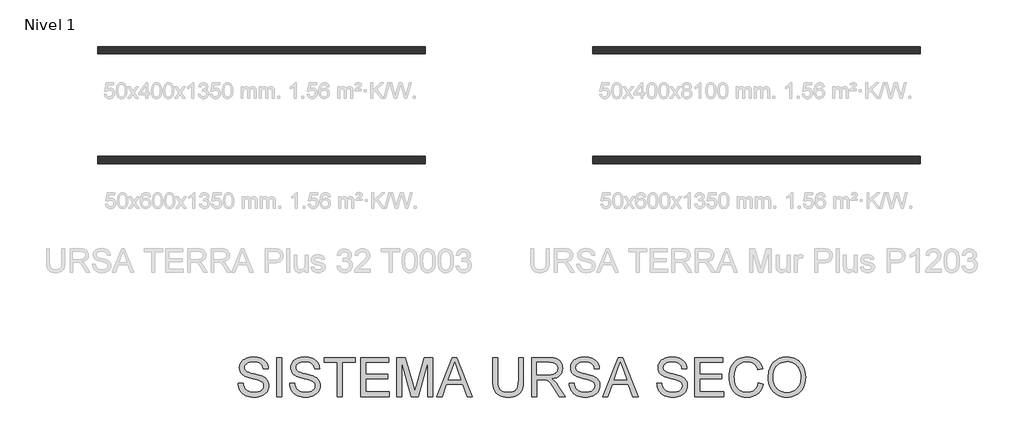
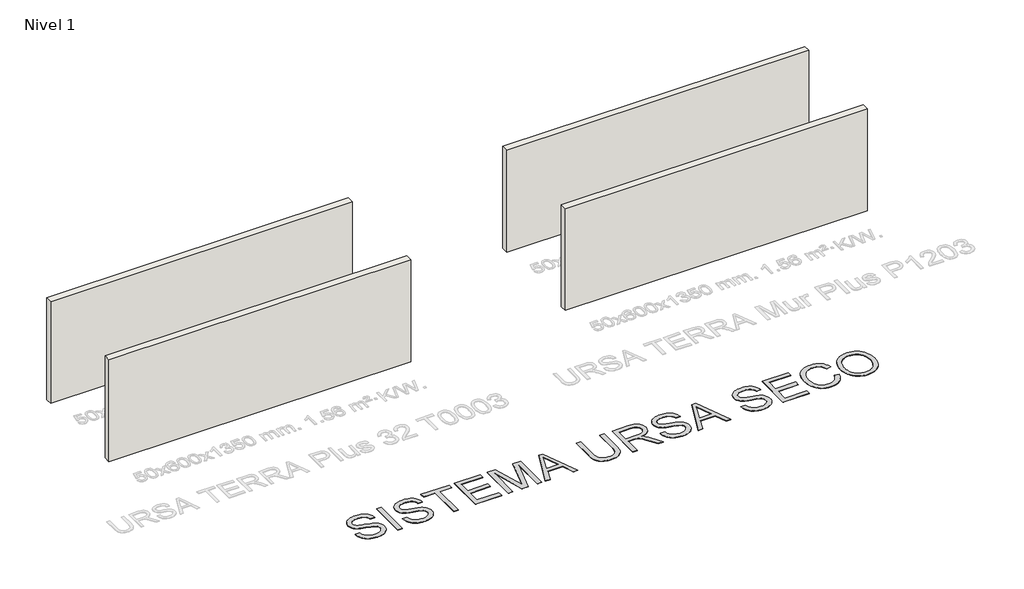
# One storey, part 1 of 7: 4 walls, 1 proxy.
"""IFC4 building model written with IfcOpenShell, lengths in millimetres."""

import ifcopenshell
import ifcopenshell.guid

model = None  # the IFC model being written
_history = None  # IfcOwnerHistory: only IFC2X3 demands one
_inside = {}  # id of a spatial element -> (the spatial element, [elements in it])
_under = {}  # id of a project, library or spatial element -> (it, [spatial elements below it])
_declared = {}  # id of a project -> (the project, [libraries it declares])
_typed = {}  # id of a type object -> (the type object, [elements of that type])
_made_of = {}  # id of a material, layer set ... -> (it, [elements and type objects made of it])


def new_model(schema):
    """Start an empty IFC model of exactly this schema.

    Asked for "IFC4X3", IfcOpenShell would pick the latest addendum, in which some entities
    have other attributes; the version numbers below select the first issue.
    IFC2X3 requires an IfcOwnerHistory on every rooted entity: one is made here for all.
    """
    global model, _history
    if schema == "IFC4X3":
        model = ifcopenshell.file(schema_version=(4, 3, 0, 0))
    else:
        model = ifcopenshell.file(schema=schema)
    _inside.clear()
    _under.clear()
    _declared.clear()
    _typed.clear()
    _made_of.clear()
    _history = None
    if model.schema == "IFC2X3":
        org = make("IfcOrganization", Name="unknown")
        user = make(
            "IfcPersonAndOrganization",
            ThePerson=make("IfcPerson", FamilyName="unknown"),
            TheOrganization=org,
        )
        app = make(
            "IfcApplication",
            ApplicationDeveloper=org,
            Version="unknown",
            ApplicationFullName="unknown",
            ApplicationIdentifier="unknown",
        )
        _history = make(
            "IfcOwnerHistory",
            OwningUser=user,
            OwningApplication=app,
            ChangeAction="ADDED",
            CreationDate=0,
        )
    return model


def make(cls, **values):
    """One entity of the class cls with the attributes given. An attribute that is None is left unset."""
    return model.create_entity(
        cls, **{name: value for name, value in values.items() if value is not None}
    )


def rooted(cls, **values):
    """An entity with a GlobalId (a new one), such as an element, a storey or a relation."""
    return make(cls, GlobalId=ifcopenshell.guid.new(), OwnerHistory=_history, **values)


def si_unit(unit_type, name, prefix=None):
    """IfcSIUnit, for example si_unit("LENGTHUNIT", "METRE", prefix="MILLI")."""
    return make("IfcSIUnit", UnitType=unit_type, Prefix=prefix, Name=name)


def assignment(units):
    """IfcUnitAssignment: the units of a project."""
    return None if units is None else make("IfcUnitAssignment", Units=units)


def point(xyz):
    """IfcCartesianPoint."""
    return None if xyz is None else make("IfcCartesianPoint", Coordinates=xyz)


def direction(xyz):
    """IfcDirection."""
    return None if xyz is None else make("IfcDirection", DirectionRatios=xyz)


def frame(location, z_axis=None, x_axis=None):
    """IfcAxis2Placement3D, a coordinate frame: its origin and axes. An axis left out is left unset."""
    return make(
        "IfcAxis2Placement3D",
        Location=point(location),
        Axis=direction(z_axis),
        RefDirection=direction(x_axis),
    )


def origin():
    """The frame at (0, 0, 0) with its axes left unset."""
    return frame((0.0, 0.0, 0.0))


def origin_with_axes():
    """The frame at (0, 0, 0) with the z axis (0, 0, 1) and the x axis (1, 0, 0) written out."""
    return frame((0.0, 0.0, 0.0), z_axis=(0.0, 0.0, 1.0), x_axis=(1.0, 0.0, 0.0))


def place(relative_to, where):
    """IfcLocalPlacement: puts the frame where relative to a parent placement (None: the world)."""
    return make(
        "IfcLocalPlacement", PlacementRelTo=relative_to, RelativePlacement=where
    )


def context(
    kind, dimensions, precision=None, world=None, true_north=None, identifier=None
):
    """IfcGeometricRepresentationContext, for example the 3D "Model" context."""
    return make(
        "IfcGeometricRepresentationContext",
        ContextIdentifier=identifier,
        ContextType=kind,
        CoordinateSpaceDimension=dimensions,
        Precision=precision,
        WorldCoordinateSystem=world,
        TrueNorth=true_north,
    )


def project(units=None, contexts=None):
    """IfcProject with its units and contexts."""
    return rooted(
        "IfcProject",
        Name="project",
        RepresentationContexts=contexts,
        UnitsInContext=assignment(units),
    )


def spatial(cls, under=None, at=None, **own):
    """A site, building, storey or space (cls), placed at a placement, below another one or the project."""
    s = rooted(cls, ObjectPlacement=at, **own)
    if under is not None:
        _under.setdefault(under.id(), (under, []))[1].append(s)
    return s


def polyline(points):
    """IfcPolyline through the points."""
    return make("IfcPolyline", Points=[point(p) for p in points])


def outline(outer, holes=None, kind="AREA"):
    """IfcArbitraryClosedProfileDef: a profile drawn as a closed curve; with holes, ...WithVoids."""
    if holes is None:
        return make("IfcArbitraryClosedProfileDef", ProfileType=kind, OuterCurve=outer)
    return make(
        "IfcArbitraryProfileDefWithVoids",
        ProfileType=kind,
        OuterCurve=outer,
        InnerCurves=holes,
    )


def extrude(swept, where, along, depth):
    """IfcExtrudedAreaSolid: the profile swept, set in the frame where, extruded along a direction by depth."""
    return make(
        "IfcExtrudedAreaSolid",
        SweptArea=swept,
        Position=where,
        ExtrudedDirection=direction(along),
        Depth=depth,
    )


def shape(context_of_items, identifier, shape_type, items):
    """IfcShapeRepresentation: the items that make up one representation, for example the "Body"."""
    return make(
        "IfcShapeRepresentation",
        ContextOfItems=context_of_items,
        RepresentationIdentifier=identifier,
        RepresentationType=shape_type,
        Items=items,
    )


def made_of(thing, what):
    """Note that an element or type object is made of a material, layer set ...; save() writes the relation."""
    if what is not None:
        _made_of.setdefault(what.id(), (what, []))[1].append(thing)
    return thing


def element(
    cls,
    number,
    at=None,
    inside=None,
    cuts=None,
    type_object=None,
    material=None,
    context=None,
    identifier="Body",
    shape_type=None,
    held_by="IfcProductDefinitionShape",
    body=None,
    shapes=None,
    **own,
):
    """One element of the class cls, such as IfcWall. Its Tag is "e" and its number.

    at: its placement. inside: the storey or other place that contains it. cuts: it is an
    opening in that element (IfcRelVoidsElement). A single representation is given by context,
    identifier, shape_type and body (its items); several are given by shapes. held_by: the class
    of the entity that holds the representations. save() writes the other relations.
    """
    e = rooted(cls, Tag="e%d" % number, ObjectPlacement=at, **own)
    if body is not None:
        shapes = [shape(context, identifier, shape_type, body)]
    if shapes is not None:
        e.Representation = make(held_by, Representations=shapes)
    if inside is not None:
        _inside.setdefault(inside.id(), (inside, []))[1].append(e)
    if cuts is not None:
        rooted(
            "IfcRelVoidsElement", RelatingBuildingElement=cuts, RelatedOpeningElement=e
        )
    if type_object is not None:
        _typed.setdefault(type_object.id(), (type_object, []))[1].append(e)
    return made_of(e, material)


def aggregate(whole, parts):
    """IfcRelAggregates: a whole, such as a stair, and the parts it consists of."""
    return rooted("IfcRelAggregates", RelatingObject=whole, RelatedObjects=parts)


def save(model, path):
    """Write the relations noted so far, then the file.

    IfcRelAggregates (storeys below a building ...), IfcRelContainedInSpatialStructure (elements
    in a storey), IfcRelDefinesByType, IfcRelAssociatesMaterial and IfcRelDeclares: one each for
    every whole, place, type object, material and project.
    """
    for whole, parts in _under.values():
        aggregate(whole, parts)
    for where, things in _inside.values():
        rooted(
            "IfcRelContainedInSpatialStructure",
            RelatedElements=things,
            RelatingStructure=where,
        )
    for kind, things in _typed.values():
        rooted("IfcRelDefinesByType", RelatedObjects=things, RelatingType=kind)
    for what, things in _made_of.values():
        rooted("IfcRelAssociatesMaterial", RelatedObjects=things, RelatingMaterial=what)
    for by, libraries in _declared.values():
        rooted("IfcRelDeclares", RelatingContext=by, RelatedDefinitions=libraries)
    model.write(path)


model = new_model("IFC4")

# Units and contexts
model_context = context("Model", 3, world=origin())
ifc_project = project(units=[si_unit("LENGTHUNIT", "METRE", prefix="MILLI")], contexts=[model_context])

# Site, building, storey
site = spatial("IfcSite", under=ifc_project)
building = spatial("IfcBuilding", under=site)
storey = spatial("IfcBuildingStorey", under=building, Name="Nivel 1", Elevation=0.0)

# Proxy
placement = place(None, origin())
element("IfcBuildingElementProxy", 1, Name="Texto de modelo 2", ObjectType="Texto de modelo 2", at=placement, inside=storey, context=model_context, shape_type="SweptSolid", body=[
    extrude(outline(polyline([(-22575.3742408, -17271.0062376), (-22449.8038531, -17271.0062376), (-22444.0556969, -17307.5568466), (-22435.3951416, -17340.6892188), (-22423.8221872, -17370.4033541), (-22409.3368336, -17396.6992526), (-22391.203317, -17420.1057445), (-22368.6858732, -17441.1516603), (-22341.7845023, -17459.837), (-22310.4992043, -17476.1617635), (-22275.9796104, -17489.4131796), (-22239.3753519, -17498.8784767), (-22200.6864287, -17504.557655), (-22159.9128409, -17506.4507145), (-22089.9539482, -17500.7178867), (-22058.2394545, -17493.551852), (-22028.701596, -17483.5194034), (-22002.0684723, -17470.9807588), (-21979.0681834, -17456.2961358), (-21959.7007292, -17439.4655345), (-21943.9661097, -17420.4889549), (-21931.7876829, -17400.1864673), (-21923.0888065, -17379.378142), (-21917.8694807, -17358.0639789), (-21916.1297054, -17336.243978), (-21921.341367, -17294.2134601), (-21936.9763518, -17257.8851131), (-21950.1281332, -17241.7672831), (-21968.7368307, -17226.891055), (-21992.8024446, -17213.2564285), (-22022.3249747, -17200.8634038), (-22088.6357043, -17181.1510602), (-22205.1623263, -17152.9161171), (-22325.1838272, -17121.186295), (-22368.9847773, -17105.8961996), (-22401.9791937, -17090.9893146), (-22435.5101047, -17070.9857311), (-22464.4884761, -17048.7441988), (-22488.9143077, -17024.2647177), (-22508.7875997, -16997.5472878), (-22524.184994, -16968.8678206), (-22535.1831328, -16938.5022276), (-22541.7820161, -16906.4505088), (-22543.9816439, -16872.7126641), (-22541.2608499, -16835.3189921), (-22533.0984682, -16799.1669219), (-22519.4944986, -16764.2564534), (-22500.4489411, -16730.5875866), (-22476.1763936, -16699.5322149), (-22446.891454, -16672.4622314), (-22412.5941221, -16649.3776362), (-22373.2843981, -16630.2784293), (-22330.2881899, -16615.3102306), (-22284.9314056, -16604.6186601), (-22237.2140451, -16598.2037178), (-22187.1361085, -16596.0654037), (-22132.5056323, -16598.3033525), (-22081.1860939, -16605.017199), (-22033.1774936, -16616.206943), (-21988.4798312, -16631.8725846), (-21947.9208412, -16651.8761681), (-21912.3282582, -16676.0797377), (-21881.7020821, -16704.4832934), (-21856.0423129, -16737.0868352), (-21835.5482201, -16772.9400013), (-21820.419073, -16811.0924299), (-21810.6548717, -16851.544121), (-21806.2556162, -16894.2950745), (-21931.8260039, -16894.2950745), (-21940.2259761, -16854.2265939), (-21954.8799423, -16819.3697748), (-21975.7879023, -16789.7246174), (-22002.9498563, -16765.2911215), (-22036.8716419, -16746.1919146), (-22078.059097, -16732.5496239), (-22126.5122214, -16724.3642496), (-22182.2310153, -16721.6357914), (-22239.7279054, -16724.3335927), (-22288.8554802, -16732.4269966), (-22329.6137396, -16745.9160031), (-22362.0026836, -16764.8006122), (-22386.6814341, -16787.501997), (-22404.309113, -16812.4413306), (-22414.8857204, -16839.618613), (-22418.4112562, -16869.0338442), (-22415.9127243, -16894.3410597), (-22408.4171286, -16917.2876992), (-22395.9244692, -16937.8737625), (-22378.434746, -16956.0992497), (-22350.9049101, -16973.3590466), (-22307.5561483, -16990.8027846), (-22248.3884607, -17008.4304635), (-22173.4018474, -17026.2420834), (-22034.9555899, -17059.903286), (-21986.2418823, -17075.1244035), (-21951.2011223, -17089.2725319), (-21912.7038044, -17110.7169866), (-21879.6174174, -17134.8285857), (-21851.9419615, -17161.6073292), (-21829.6774366, -17191.0532173), (-21812.5632596, -17223.0129656), (-21800.3388475, -17257.3332901), (-21793.0042002, -17294.0141907), (-21790.5593177, -17333.0556674), (-21793.3720822, -17372.3347346), (-21801.8103754, -17410.4641706), (-21815.8741975, -17447.4439753), (-21835.5635485, -17483.2741488), (-21860.5335389, -17516.5674693), (-21890.4392794, -17545.9367153), (-21925.2807701, -17571.3818866), (-21965.0580108, -17592.9029833), (-22008.6137062, -17610.0171603), (-22054.7905608, -17622.2415725), (-22103.5885746, -17629.5762197), (-22155.0077476, -17632.0211022), (-22219.2414768, -17629.3846145), (-22278.0336182, -17621.4751516), (-22331.3841717, -17608.2927135), (-22379.2931374, -17589.8373), (-22422.0517551, -17566.0782545), (-22459.9512648, -17536.9849201), (-22492.9916665, -17502.5572967), (-22521.1729602, -17462.7953844), (-22543.874345, -17418.9867701), (-22560.47502, -17372.4190409), (-22570.9749853, -17323.0921967), (-22575.3742408, -17271.0062376)])), origin_with_axes(), (0.0, 0.0, 1.0), 10.0),
    extrude(outline(polyline([(-21586.5074378, -17616.3248037), (-21586.5074378, -16611.7617022), (-21460.9370501, -16611.7617022), (-21460.9370501, -17616.3248037), (-21586.5074378, -17616.3248037)])), origin_with_axes(), (0.0, 0.0, 1.0), 10.0),
    extrude(outline(polyline([(-21256.8851701, -17271.0062376), (-21131.3147824, -17271.0062376), (-21125.5666262, -17307.5568466), (-21116.9060709, -17340.6892188), (-21105.3331165, -17370.4033541), (-21090.8477629, -17396.6992526), (-21072.7142462, -17420.1057445), (-21050.1968025, -17441.1516603), (-21023.2954316, -17459.837), (-20992.0101335, -17476.1617635), (-20957.4905397, -17489.4131796), (-20920.8862811, -17498.8784767), (-20882.197358, -17504.557655), (-20841.4237702, -17506.4507145), (-20771.4648774, -17500.7178867), (-20739.7503838, -17493.551852), (-20710.2125252, -17483.5194034), (-20683.5794016, -17470.9807588), (-20660.5791127, -17456.2961358), (-20641.2116585, -17439.4655345), (-20625.477039, -17420.4889549), (-20613.2986121, -17400.1864673), (-20604.5997358, -17379.378142), (-20599.38041, -17358.0639789), (-20597.6406347, -17336.243978), (-20602.8522963, -17294.2134601), (-20618.4872811, -17257.8851131), (-20631.6390624, -17241.7672831), (-20650.24776, -17226.891055), (-20674.3133739, -17213.2564285), (-20703.835904, -17200.8634038), (-20770.1466336, -17181.1510602), (-20886.6732556, -17152.9161171), (-21006.6947565, -17121.186295), (-21050.4957066, -17105.8961996), (-21083.490123, -17090.9893146), (-21117.021034, -17070.9857311), (-21145.9994054, -17048.7441988), (-21170.425237, -17024.2647177), (-21190.298529, -16997.5472878), (-21205.6959233, -16968.8678206), (-21216.6940621, -16938.5022276), (-21223.2929454, -16906.4505088), (-21225.4925732, -16872.7126641), (-21222.7717792, -16835.3189921), (-21214.6093975, -16799.1669219), (-21201.0054279, -16764.2564534), (-21181.9598704, -16730.5875866), (-21157.6873229, -16699.5322149), (-21128.4023833, -16672.4622314), (-21094.1050514, -16649.3776362), (-21054.7953274, -16630.2784293), (-21011.7991192, -16615.3102306), (-20966.4423349, -16604.6186601), (-20918.7249744, -16598.2037178), (-20868.6470378, -16596.0654037), (-20814.0165616, -16598.3033525), (-20762.6970232, -16605.017199), (-20714.6884229, -16616.206943), (-20669.9907604, -16631.8725846), (-20629.4317705, -16651.8761681), (-20593.8391874, -16676.0797377), (-20563.2130113, -16704.4832934), (-20537.5532422, -16737.0868352), (-20517.0591494, -16772.9400013), (-20501.9300023, -16811.0924299), (-20492.165801, -16851.544121), (-20487.7665455, -16894.2950745), (-20613.3369332, -16894.2950745), (-20621.7369054, -16854.2265939), (-20636.3908715, -16819.3697748), (-20657.2988316, -16789.7246174), (-20684.4607856, -16765.2911215), (-20718.3825712, -16746.1919146), (-20759.5700263, -16732.5496239), (-20808.0231507, -16724.3642496), (-20863.7419446, -16721.6357914), (-20921.2388347, -16724.3335927), (-20970.3664095, -16732.4269966), (-21011.1246689, -16745.9160031), (-21043.5136129, -16764.8006122), (-21068.1923634, -16787.501997), (-21085.8200423, -16812.4413306), (-21096.3966497, -16839.618613), (-21099.9221855, -16869.0338442), (-21097.4236536, -16894.3410597), (-21089.9280579, -16917.2876992), (-21077.4353985, -16937.8737625), (-21059.9456753, -16956.0992497), (-21032.4158394, -16973.3590466), (-20989.0670776, -16990.8027846), (-20929.89939, -17008.4304635), (-20854.9127767, -17026.2420834), (-20716.4665192, -17059.903286), (-20667.7528116, -17075.1244035), (-20632.7120516, -17089.2725319), (-20594.2147336, -17110.7169866), (-20561.1283467, -17134.8285857), (-20533.4528908, -17161.6073292), (-20511.1883659, -17191.0532173), (-20494.0741889, -17223.0129656), (-20481.8497767, -17257.3332901), (-20474.5151295, -17294.0141907), (-20472.070247, -17333.0556674), (-20474.8830115, -17372.3347346), (-20483.3213047, -17410.4641706), (-20497.3851268, -17447.4439753), (-20517.0744778, -17483.2741488), (-20542.0444682, -17516.5674693), (-20571.9502087, -17545.9367153), (-20606.7916994, -17571.3818866), (-20646.5689401, -17592.9029833), (-20690.1246355, -17610.0171603), (-20736.3014901, -17622.2415725), (-20785.0995039, -17629.5762197), (-20836.5186769, -17632.0211022), (-20900.7524061, -17629.3846145), (-20959.5445475, -17621.4751516), (-21012.895101, -17608.2927135), (-21060.8040666, -17589.8373), (-21103.5626844, -17566.0782545), (-21141.4621941, -17536.9849201), (-21174.5025958, -17502.5572967), (-21202.6838895, -17462.7953844), (-21225.3852742, -17418.9867701), (-21241.9859493, -17372.4190409), (-21252.4859146, -17323.0921967), (-21256.8851701, -17271.0062376)])), origin_with_axes(), (0.0, 0.0, 1.0), 10.0),
    extrude(outline(polyline([(-20032.5738901, -17616.3248037), (-20032.5738901, -16737.3320899), (-20362.1961578, -16737.3320899), (-20362.1961578, -16611.7617022), (-19577.3812348, -16611.7617022), (-19577.3812348, -16737.3320899), (-19907.0035024, -16737.3320899), (-19907.0035024, -17616.3248037), (-20032.5738901, -17616.3248037)])), origin_with_axes(), (0.0, 0.0, 1.0), 10.0),
    extrude(outline(polyline([(-19436.1145486, -17616.3248037), (-19436.1145486, -16611.7617022), (-18714.0848194, -16611.7617022), (-18714.0848194, -16737.3320899), (-19310.5441609, -16737.3320899), (-19310.5441609, -17035.5617606), (-18745.4774163, -17035.5617606), (-18745.4774163, -17161.1321483), (-19310.5441609, -17161.1321483), (-19310.5441609, -17490.754416), (-18698.388521, -17490.754416), (-18698.388521, -17616.3248037), (-19436.1145486, -17616.3248037)])), origin_with_axes(), (0.0, 0.0, 1.0), 10.0),
    extrude(outline(polyline([(-18510.0329394, -17616.3248037), (-18510.0329394, -16611.7617022), (-18293.9635809, -16611.7617022), (-18088.440173, -17319.8119156), (-18046.9921348, -17467.7004776), (-18002.1105314, -17307.5491824), (-17800.0206887, -16611.7617022), (-17583.9513302, -16611.7617022), (-17583.9513302, -17616.3248037), (-17709.5217179, -17616.3248037), (-17709.5217179, -16737.3320899), (-17961.8887666, -17616.3248037), (-18132.095503, -17616.3248037), (-18384.4625517, -16737.3320899), (-18384.4625517, -17616.3248037), (-18510.0329394, -17616.3248037)])), origin_with_axes(), (0.0, 0.0, 1.0), 10.0),
    extrude(outline(polyline([(-17481.1896262, -17616.3248037), (-17080.1982515, -16611.7617022), (-16973.2672182, -16611.7617022), (-16572.2758435, -17616.3248037), (-16704.9586164, -17616.3248037), (-16819.9830536, -17302.3988345), (-17233.7276708, -17302.3988345), (-17348.5068533, -17616.3248037), (-17481.1896262, -17616.3248037)]), holes=[polyline([(-17187.6197941, -17176.8284468), (-16865.8456756, -17176.8284468), (-16956.3446465, -16929.8570007), (-17026.7327349, -16737.3320899), (-17089.2726741, -16908.2745903), (-17187.6197941, -17176.8284468)])]), origin_with_axes(), (0.0, 0.0, 1.0), 10.0),
    extrude(outline(polyline([(-15386.4695457, -16611.7617022), (-15260.899158, -16611.7617022), (-15260.899158, -17191.2984719), (-15263.0298079, -17263.0584536), (-15269.4217576, -17327.0162713), (-15280.075007, -17383.171925), (-15294.9895562, -17431.5254148), (-15315.4529922, -17473.9084863), (-15342.7529019, -17512.1528854), (-15376.8892854, -17546.258612), (-15417.8621426, -17576.2256662), (-15465.7174588, -17600.6361694), (-15520.5012193, -17618.0722432), (-15582.213424, -17628.5338874), (-15650.8540729, -17632.0211022), (-15717.8009318, -17628.9860757), (-15778.3558411, -17619.8809963), (-15832.5188007, -17604.705864), (-15880.2898106, -17583.4606788), (-15921.676535, -17556.4596732), (-15956.6866382, -17524.0170797), (-15985.3201202, -17486.1328984), (-16007.5769809, -17442.8071293), (-16024.2619622, -17392.5529159), (-16036.179806, -17333.8834019), (-16043.3305123, -17266.7985872), (-16045.7140811, -17191.2984719), (-16045.7140811, -16611.7617022), (-15920.1436934, -16611.7617022), (-15920.1436934, -17186.883888), (-15918.5955233, -17247.5920814), (-15913.9510131, -17299.73169), (-15906.2101628, -17343.3027138), (-15895.3729724, -17378.3051528), (-15880.7649915, -17407.2681957), (-15861.7117698, -17432.7210313), (-15838.2133074, -17454.6636594), (-15810.2696042, -17473.0960802), (-15778.4171547, -17487.6887327), (-15743.1924537, -17498.1120559), (-15704.595501, -17504.3660498), (-15662.6262968, -17506.4507145), (-15593.4184964, -17502.3273704), (-15534.9099308, -17489.9573384), (-15487.1005998, -17469.3406182), (-15467.2081473, -17455.9397501), (-15449.9905035, -17440.47721), (-15435.1027791, -17422.0831102), (-15422.2000845, -17399.8875632), (-15402.3497852, -17344.0921273), (-15390.4396056, -17273.0909022), (-15386.4695457, -17186.883888), (-15386.4695457, -16611.7617022)])), origin_with_axes(), (0.0, 0.0, 1.0), 10.0),
    extrude(outline(polyline([(-15041.1509796, -17616.3248037), (-15041.1509796, -16611.7617022), (-14608.2764986, -16611.7617022), (-14546.1427624, -16613.4554922), (-14491.9338176, -16618.5368623), (-14445.6496641, -16627.0058124), (-14407.2903019, -16638.8623425), (-14374.6254464, -16655.0184935), (-14345.424813, -16676.386306), (-14319.6884018, -16702.9657802), (-14297.4162127, -16734.7569159), (-14279.4436443, -16770.0505948), (-14266.6060956, -16807.1376985), (-14258.9035663, -16846.0182268), (-14256.3360565, -16886.6921799), (-14260.5896921, -16938.2876298), (-14273.3505988, -16985.6524366), (-14294.6187766, -17028.7866006), (-14324.3942256, -17067.6901216), (-14363.0601562, -17101.1213979), (-14410.9997787, -17127.8388278), (-14468.2130931, -17147.8424113), (-14534.7000995, -17161.1321483), (-14493.3133751, -17188.171475), (-14463.3309925, -17214.8429196), (-14411.8888268, -17275.8500172), (-14361.5503071, -17344.0921273), (-14194.041372, -17616.3248037), (-14339.9678968, -17616.3248037), (-14470.6886324, -17408.1035944), (-14522.9891894, -17328.6410835), (-14565.1116778, -17270.2704736), (-14600.2137515, -17230.0793656), (-14631.4530643, -17205.1553604), (-14661.0369081, -17190.5320511), (-14691.1725748, -17181.2430307), (-14764.0132099, -17176.8284468), (-14915.5805919, -17176.8284468), (-14915.5805919, -17616.3248037), (-15041.1509796, -17616.3248037)]), holes=[polyline([(-14915.5805919, -17051.2580591), (-14634.5187476, -17051.2580591), (-14553.7993065, -17046.8128183), (-14491.1673968, -17033.477096), (-14465.9828085, -17023.2530422), (-14444.0171877, -17010.361844), (-14425.2705344, -16994.8035013), (-14409.7428485, -16976.5780141), (-14397.5644216, -16956.5820948), (-14388.8655453, -16935.7124558), (-14383.6462195, -16913.969097), (-14381.9064442, -16891.3520185), (-14385.2250464, -16859.238986), (-14395.1808529, -16830.0996663), (-14411.7738637, -16803.9340594), (-14435.0040789, -16780.7421653), (-14465.4079929, -16761.7502573), (-14503.5221005, -16748.1846087), (-14549.3464015, -16740.0452196), (-14602.880896, -16737.3320899), (-14915.5805919, -16737.3320899), (-14915.5805919, -17051.2580591)])]), origin_with_axes(), (0.0, 0.0, 1.0), 10.0),
    extrude(outline(polyline([(-14083.6767735, -17271.0062376), (-13958.1063858, -17271.0062376), (-13952.3582296, -17307.5568466), (-13943.6976743, -17340.6892188), (-13932.1247199, -17370.4033541), (-13917.6393663, -17396.6992526), (-13899.5058496, -17420.1057445), (-13876.9884058, -17441.1516603), (-13850.0870349, -17459.837), (-13818.8017369, -17476.1617635), (-13784.282143, -17489.4131796), (-13747.6778845, -17498.8784767), (-13708.9889614, -17504.557655), (-13668.2153736, -17506.4507145), (-13598.2564808, -17500.7178867), (-13566.5419872, -17493.551852), (-13537.0041286, -17483.5194034), (-13510.371005, -17470.9807588), (-13487.3707161, -17456.2961358), (-13468.0032619, -17439.4655345), (-13452.2686424, -17420.4889549), (-13440.0902155, -17400.1864673), (-13431.3913392, -17379.378142), (-13426.1720134, -17358.0639789), (-13424.4322381, -17336.243978), (-13429.6438997, -17294.2134601), (-13445.2788845, -17257.8851131), (-13458.4306658, -17241.7672831), (-13477.0393634, -17226.891055), (-13501.1049773, -17213.2564285), (-13530.6275074, -17200.8634038), (-13596.938237, -17181.1510602), (-13713.464859, -17152.9161171), (-13833.4863599, -17121.186295), (-13877.28731, -17105.8961996), (-13910.2817264, -17090.9893146), (-13943.8126374, -17070.9857311), (-13972.7910087, -17048.7441988), (-13997.2168404, -17024.2647177), (-14017.0901323, -16997.5472878), (-14032.4875267, -16968.8678206), (-14043.4856655, -16938.5022276), (-14050.0845488, -16906.4505088), (-14052.2841765, -16872.7126641), (-14049.5633826, -16835.3189921), (-14041.4010008, -16799.1669219), (-14027.7970312, -16764.2564534), (-14008.7514738, -16730.5875866), (-13984.4789263, -16699.5322149), (-13955.1939866, -16672.4622314), (-13920.8966548, -16649.3776362), (-13881.5869308, -16630.2784293), (-13838.5907226, -16615.3102306), (-13793.2339383, -16604.6186601), (-13745.5165778, -16598.2037178), (-13695.4386412, -16596.0654037), (-13640.8081649, -16598.3033525), (-13589.4886266, -16605.017199), (-13541.4800262, -16616.206943), (-13496.7823638, -16631.8725846), (-13456.2233738, -16651.8761681), (-13420.6307908, -16676.0797377), (-13390.0046147, -16704.4832934), (-13364.3448456, -16737.0868352), (-13343.8507527, -16772.9400013), (-13328.7216057, -16811.0924299), (-13318.9574044, -16851.544121), (-13314.5581489, -16894.2950745), (-13440.1285366, -16894.2950745), (-13448.5285088, -16854.2265939), (-13463.1824749, -16819.3697748), (-13484.090435, -16789.7246174), (-13511.252389, -16765.2911215), (-13545.1741746, -16746.1919146), (-13586.3616296, -16732.5496239), (-13634.8147541, -16724.3642496), (-13690.5335479, -16721.6357914), (-13748.0304381, -16724.3335927), (-13797.1580129, -16732.4269966), (-13837.9162723, -16745.9160031), (-13870.3052163, -16764.8006122), (-13894.9839668, -16787.501997), (-13912.6116457, -16812.4413306), (-13923.1882531, -16839.618613), (-13926.7137888, -16869.0338442), (-13924.215257, -16894.3410597), (-13916.7196613, -16917.2876992), (-13904.2270019, -16937.8737625), (-13886.7372787, -16956.0992497), (-13859.2074427, -16973.3590466), (-13815.858681, -16990.8027846), (-13756.6909934, -17008.4304635), (-13681.7043801, -17026.2420834), (-13543.2581225, -17059.903286), (-13494.544415, -17075.1244035), (-13459.503655, -17089.2725319), (-13421.006337, -17110.7169866), (-13387.9199501, -17134.8285857), (-13360.2444941, -17161.6073292), (-13337.9799692, -17191.0532173), (-13320.8657922, -17223.0129656), (-13308.6413801, -17257.3332901), (-13301.3067328, -17294.0141907), (-13298.8618504, -17333.0556674), (-13301.6746148, -17372.3347346), (-13310.1129081, -17410.4641706), (-13324.1767302, -17447.4439753), (-13343.8660812, -17483.2741488), (-13368.8360716, -17516.5674693), (-13398.7418121, -17545.9367153), (-13433.5833027, -17571.3818866), (-13473.3605435, -17592.9029833), (-13516.9162388, -17610.0171603), (-13563.0930934, -17622.2415725), (-13611.8911073, -17629.5762197), (-13663.3102803, -17632.0211022), (-13727.5440095, -17629.3846145), (-13786.3361509, -17621.4751516), (-13839.6867044, -17608.2927135), (-13887.59567, -17589.8373), (-13930.3542878, -17566.0782545), (-13968.2537975, -17536.9849201), (-14001.2941992, -17502.5572967), (-14029.4754928, -17462.7953844), (-14052.1768776, -17418.9867701), (-14068.7775527, -17372.4190409), (-14079.2775179, -17323.0921967), (-14083.6767735, -17271.0062376)])), origin_with_axes(), (0.0, 0.0, 1.0), 10.0),
    extrude(outline(polyline([(-13227.4927433, -17616.3248037), (-12826.5013686, -16611.7617022), (-12719.5703353, -16611.7617022), (-12318.5789606, -17616.3248037), (-12451.2617335, -17616.3248037), (-12566.2861707, -17302.3988345), (-12980.0307879, -17302.3988345), (-13094.8099704, -17616.3248037), (-13227.4927433, -17616.3248037)]), holes=[polyline([(-12933.9229112, -17176.8284468), (-12612.1487927, -17176.8284468), (-12702.6477636, -16929.8570007), (-12773.035852, -16737.3320899), (-12835.5757912, -16908.2745903), (-12933.9229112, -17176.8284468)])]), origin_with_axes(), (0.0, 0.0, 1.0), 10.0),
    extrude(outline(polyline([(-11839.1060936, -17271.0062376), (-11713.5357059, -17271.0062376), (-11707.7875497, -17307.5568466), (-11699.1269944, -17340.6892188), (-11687.55404, -17370.4033541), (-11673.0686864, -17396.6992526), (-11654.9351697, -17420.1057445), (-11632.4177259, -17441.1516603), (-11605.516355, -17459.837), (-11574.231057, -17476.1617635), (-11539.7114631, -17489.4131796), (-11503.1072046, -17498.8784767), (-11464.4182815, -17504.557655), (-11423.6446937, -17506.4507145), (-11353.6858009, -17500.7178867), (-11321.9713072, -17493.551852), (-11292.4334487, -17483.5194034), (-11265.8003251, -17470.9807588), (-11242.8000362, -17456.2961358), (-11223.432582, -17439.4655345), (-11207.6979625, -17420.4889549), (-11195.5195356, -17400.1864673), (-11186.8206593, -17379.378142), (-11181.6013335, -17358.0639789), (-11179.8615582, -17336.243978), (-11185.0732198, -17294.2134601), (-11200.7082046, -17257.8851131), (-11213.8599859, -17241.7672831), (-11232.4686835, -17226.891055), (-11256.5342974, -17213.2564285), (-11286.0568275, -17200.8634038), (-11352.3675571, -17181.1510602), (-11468.8941791, -17152.9161171), (-11588.91568, -17121.186295), (-11632.71663, -17105.8961996), (-11665.7110465, -17090.9893146), (-11699.2419575, -17070.9857311), (-11728.2203288, -17048.7441988), (-11752.6461605, -17024.2647177), (-11772.5194524, -16997.5472878), (-11787.9168468, -16968.8678206), (-11798.9149856, -16938.5022276), (-11805.5138689, -16906.4505088), (-11807.7134966, -16872.7126641), (-11804.9927027, -16835.3189921), (-11796.8303209, -16799.1669219), (-11783.2263513, -16764.2564534), (-11764.1807939, -16730.5875866), (-11739.9082464, -16699.5322149), (-11710.6233067, -16672.4622314), (-11676.3259749, -16649.3776362), (-11637.0162509, -16630.2784293), (-11594.0200427, -16615.3102306), (-11548.6632584, -16604.6186601), (-11500.9458979, -16598.2037178), (-11450.8679613, -16596.0654037), (-11396.237485, -16598.3033525), (-11344.9179467, -16605.017199), (-11296.9093463, -16616.206943), (-11252.2116839, -16631.8725846), (-11211.6526939, -16651.8761681), (-11176.0601109, -16676.0797377), (-11145.4339348, -16704.4832934), (-11119.7741656, -16737.0868352), (-11099.2800728, -16772.9400013), (-11084.1509258, -16811.0924299), (-11074.3867245, -16851.544121), (-11069.987469, -16894.2950745), (-11195.5578567, -16894.2950745), (-11203.9578289, -16854.2265939), (-11218.611795, -16819.3697748), (-11239.5197551, -16789.7246174), (-11266.6817091, -16765.2911215), (-11300.6034947, -16746.1919146), (-11341.7909497, -16732.5496239), (-11390.2440742, -16724.3642496), (-11445.962868, -16721.6357914), (-11503.4597582, -16724.3335927), (-11552.587333, -16732.4269966), (-11593.3455924, -16745.9160031), (-11625.7345363, -16764.8006122), (-11650.4132869, -16787.501997), (-11668.0409658, -16812.4413306), (-11678.6175732, -16839.618613), (-11682.1431089, -16869.0338442), (-11679.6445771, -16894.3410597), (-11672.1489814, -16917.2876992), (-11659.656322, -16937.8737625), (-11642.1665988, -16956.0992497), (-11614.6367628, -16973.3590466), (-11571.2880011, -16990.8027846), (-11512.1203135, -17008.4304635), (-11437.1337002, -17026.2420834), (-11298.6874426, -17059.903286), (-11249.9737351, -17075.1244035), (-11214.9329751, -17089.2725319), (-11176.4356571, -17110.7169866), (-11143.3492702, -17134.8285857), (-11115.6738142, -17161.6073292), (-11093.4092893, -17191.0532173), (-11076.2951123, -17223.0129656), (-11064.0707002, -17257.3332901), (-11056.7360529, -17294.0141907), (-11054.2911705, -17333.0556674), (-11057.1039349, -17372.3347346), (-11065.5422282, -17410.4641706), (-11079.6060503, -17447.4439753), (-11099.2954013, -17483.2741488), (-11124.2653917, -17516.5674693), (-11154.1711322, -17545.9367153), (-11189.0126228, -17571.3818866), (-11228.7898636, -17592.9029833), (-11272.3455589, -17610.0171603), (-11318.5224135, -17622.2415725), (-11367.3204274, -17629.5762197), (-11418.7396004, -17632.0211022), (-11482.9733296, -17629.3846145), (-11541.7654709, -17621.4751516), (-11595.1160245, -17608.2927135), (-11643.0249901, -17589.8373), (-11685.7836079, -17566.0782545), (-11723.6831176, -17536.9849201), (-11756.7235193, -17502.5572967), (-11784.9048129, -17462.7953844), (-11807.6061977, -17418.9867701), (-11824.2068727, -17372.4190409), (-11834.706838, -17323.0921967), (-11839.1060936, -17271.0062376)])), origin_with_axes(), (0.0, 0.0, 1.0), 10.0),
    extrude(outline(polyline([(-10865.935589, -17616.3248037), (-10865.935589, -16611.7617022), (-10143.9058598, -16611.7617022), (-10143.9058598, -16737.3320899), (-10740.3652013, -16737.3320899), (-10740.3652013, -17035.5617606), (-10175.2984567, -17035.5617606), (-10175.2984567, -17161.1321483), (-10740.3652013, -17161.1321483), (-10740.3652013, -17490.754416), (-10128.2095613, -17490.754416), (-10128.2095613, -17616.3248037), (-10865.935589, -17616.3248037)])), origin_with_axes(), (0.0, 0.0, 1.0), 10.0),
    extrude(outline(polyline([(-9233.520549, -17259.2340137), (-9107.9501614, -17291.6076293), (-9132.7975244, -17369.698247), (-9165.8915756, -17437.9326929), (-9207.2323148, -17496.310967), (-9230.9951924, -17521.8040396), (-9256.8197421, -17544.8330693), (-9313.534883, -17582.9778337), (-9376.2587632, -17610.2240939), (-9444.9913826, -17626.5718501), (-9519.7327413, -17632.0211022), (-9596.3058457, -17627.8977581), (-9665.3833546, -17615.527726), (-9726.9652677, -17594.9110059), (-9781.0515852, -17566.0475977), (-9828.3857352, -17529.3666971), (-9869.711146, -17485.2974997), (-9905.0278176, -17433.8400057), (-9934.3357499, -17374.9942149), (-9957.3513672, -17311.3046444), (-9973.7910938, -17245.3158116), (-9983.6549298, -17177.0277162), (-9986.9428752, -17106.4403584), (-9983.2257342, -17030.7026526), (-9972.0743112, -16959.9620106), (-9953.4886062, -16894.2184324), (-9927.4686193, -16833.471918), (-9894.5968302, -16778.7264786), (-9855.4557187, -16730.9861255), (-9810.0452849, -16690.2508587), (-9758.3655288, -16656.5206783), (-9702.1715541, -16630.0714957), (-9643.2184643, -16611.1792224), (-9581.5062597, -16599.8438584), (-9517.03494, -16596.0654037), (-9445.2136446, -16600.9551686), (-9379.3551033, -16615.6244631), (-9319.459316, -16640.0732874), (-9265.5262826, -16674.3016414), (-9218.4450515, -16717.4051485), (-9179.1046706, -16768.4794321), (-9147.50514, -16827.5244924), (-9123.6464598, -16894.5403292), (-9249.2168475, -16924.4613981), (-9268.9905047, -16875.0809045), (-9292.7495503, -16832.8894381), (-9320.4939841, -16797.8869991), (-9352.2238062, -16770.0735875), (-9388.1229575, -16748.8820517), (-9428.3753792, -16733.7452404), (-9472.9810711, -16724.6631537), (-9521.9400333, -16721.6357914), (-9578.2719638, -16724.9927146), (-9629.7907715, -16735.0634842), (-9676.4964565, -16751.8481003), (-9718.3890187, -16775.3465627), (-9754.9396278, -16804.5012108), (-9785.6194533, -16838.2543839), (-9810.4284954, -16876.6060819), (-9829.3667539, -16919.5563048), (-9843.3692623, -16965.1583438), (-9853.3710541, -17011.46549), (-9859.3721291, -17058.4777433), (-9861.3724875, -17106.1951037), (-9859.0042471, -17166.1598689), (-9851.8995261, -17222.2005595), (-9840.0583244, -17274.3171755), (-9823.480642, -17322.5097169), (-9801.8982316, -17365.8201576), (-9775.0428459, -17403.2904717), (-9742.914485, -17434.920659), (-9705.5131489, -17460.7107197), (-9664.6552548, -17480.7219674), (-9622.1572201, -17495.0157158), (-9578.0190449, -17503.5919648), (-9532.2407291, -17506.4507145), (-9477.6485739, -17502.5572967), (-9427.4250173, -17490.8770433), (-9381.5700595, -17471.4099544), (-9340.0837003, -17444.15603), (-9303.9469585, -17409.2378972), (-9274.1408527, -17366.7781836), (-9250.6653829, -17316.7768891), (-9233.520549, -17259.2340137)])), origin_with_axes(), (0.0, 0.0, 1.0), 10.0),
    extrude(outline(polyline([(-8982.3797737, -17127.2870048), (-8980.2874448, -17066.6822782), (-8974.0104583, -17009.4574674), (-8963.548814, -16955.6125725), (-8948.9025121, -16905.1475934), (-8930.0715525, -16858.0625301), (-8907.0559352, -16814.3573826), (-8879.8556601, -16774.032151), (-8848.4707274, -16737.0868352), (-8813.7786889, -16704.0349372), (-8776.6570963, -16675.3899589), (-8737.1059497, -16651.1519004), (-8695.1252491, -16631.3207616), (-8650.7149945, -16615.8965425), (-8603.8751859, -16604.8792432), (-8554.6058233, -16598.2688636), (-8502.9069066, -16596.0654037), (-8435.3239184, -16600.2040762), (-8371.1438387, -16612.6200935), (-8310.3666674, -16633.3134557), (-8252.9924046, -16662.2841629), (-8200.6305339, -16698.6584951), (-8154.8905392, -16741.5627328), (-8115.7724204, -16790.9968759), (-8083.2761775, -16846.9609244), (-8057.7390356, -16908.1826198), (-8039.49822, -16973.3897035), (-8028.5537307, -17042.5821754), (-8024.9055676, -17115.7600356), (-8028.7453359, -17189.903586), (-8040.2646409, -17260.0310914), (-8059.4634825, -17326.1425516), (-8086.3418608, -17388.2379667), (-8120.2636464, -17444.6771961), (-8160.5927101, -17493.8200993), (-8207.3290519, -17535.6666763), (-8260.4726718, -17570.216927), (-8317.9312409, -17597.2562536), (-8377.6124304, -17616.5700584), (-8439.5162403, -17628.1583412), (-8503.6426706, -17632.0211022), (-8572.4059469, -17627.7521382), (-8637.4290895, -17614.9452462), (-8698.7120986, -17593.6004263), (-8756.254974, -17563.7176784), (-8808.555531, -17526.454298), (-8854.1115847, -17482.9675804), (-8892.9231352, -17433.2575258), (-8924.9901824, -17377.3241342), (-8950.0981286, -17317.4130184), (-8968.0323759, -17255.7697916), (-8978.7929242, -17192.3944537), (-8982.3797737, -17127.2870048)]), holes=[polyline([(-8856.809386, -17128.5132781), (-8855.2401393, -17171.3063848), (-8850.5323994, -17211.7619079), (-8842.6861663, -17249.8798476), (-8831.7014398, -17285.6602037), (-8817.5782201, -17319.1029763), (-8800.3165071, -17350.2081654), (-8779.9163008, -17378.975771), (-8756.3776013, -17405.4057931), (-8730.4706614, -17429.0881966), (-8702.9657341, -17449.6129462), (-8673.8628194, -17466.9800421), (-8643.1619173, -17481.1894841), (-8610.8630277, -17492.2412724), (-8576.9661508, -17500.1354069), (-8541.4712864, -17504.8718876), (-8504.3784346, -17506.4507145), (-8466.6073004, -17504.8565592), (-8430.5491167, -17500.0740932), (-8396.2038836, -17492.1033167), (-8363.571601, -17480.9442295), (-8332.6522689, -17466.5968317), (-8303.4458874, -17449.0611232), (-8275.9524564, -17428.3371042), (-8250.1719759, -17404.4247745), (-8226.8057211, -17377.5808851), (-8206.5549669, -17348.0621871), (-8189.4197133, -17315.8686804), (-8175.3999604, -17281.0003651), (-8164.4957082, -17243.4572411), (-8156.7069565, -17203.2393084), (-8152.0337056, -17160.346567), (-8150.4759552, -17114.7790169), (-8153.1430997, -17057.3127836), (-8161.1445331, -17003.6173407), (-8174.4802554, -16953.6926883), (-8193.1502667, -16907.5388263), (-8216.9476332, -16865.7612272), (-8245.6654215, -16828.9653635), (-8279.3036314, -16797.1512351), (-8317.8622631, -16770.3188421), (-8360.1456999, -16749.0200074), (-8404.9583254, -16733.8065541), (-8452.3001397, -16724.6784821), (-8502.1711426, -16721.6357914), (-8572.2373343, -16727.4989107), (-8637.2451485, -16745.0882686), (-8667.8521641, -16758.280287), (-8697.1945853, -16774.4038651), (-8752.0856447, -16815.4457002), (-8776.6302716, -16840.8582986), (-8797.9022815, -16870.1911396), (-8815.9016745, -16903.4442231), (-8830.6284507, -16940.6175491), (-8842.0826099, -16981.7111175), (-8850.2641522, -17026.7249285), (-8855.1730775, -17075.6589821), (-8856.809386, -17128.5132781)])]), origin_with_axes(), (0.0, 0.0, 1.0), 10.0),
])

# Walls
element("IfcWall", 2, at=placement, inside=storey, context=model_context, shape_type="SweptSolid", body=[
    extrude(outline(polyline([(-5077.4179983, -11645.6168569), (-13477.4179983, -11645.6168569), (-13477.4179983, -11454.6168569), (-5077.4179983, -11454.6168569), (-5077.4179983, -11645.6168569)])), origin_with_axes(), (0.0, 0.0, 1.0), 3000.0),
])
element("IfcWall", 3, at=placement, inside=storey, context=model_context, shape_type="SweptSolid", body=[
    extrude(outline(polyline([(-5077.4179983, -8826.579453), (-13477.4179983, -8826.579453), (-13477.4179983, -8635.579453), (-5077.4179983, -8635.579453), (-5077.4179983, -8826.579453)])), origin_with_axes(), (0.0, 0.0, 1.0), 3000.0),
])
element("IfcWall", 4, at=placement, inside=storey, context=model_context, shape_type="SweptSolid", body=[
    extrude(outline(polyline([(-17777.4179983, -11645.6168569), (-26177.4179983, -11645.6168569), (-26177.4179983, -11454.6168569), (-17777.4179983, -11454.6168569), (-17777.4179983, -11645.6168569)])), origin_with_axes(), (0.0, 0.0, 1.0), 3000.0),
])
element("IfcWall", 5, at=placement, inside=storey, context=model_context, shape_type="SweptSolid", body=[
    extrude(outline(polyline([(-17777.4179983, -8826.579453), (-26177.4179983, -8826.579453), (-26177.4179983, -8635.579453), (-17777.4179983, -8635.579453), (-17777.4179983, -8826.579453)])), origin_with_axes(), (0.0, 0.0, 1.0), 3000.0),
])

save(model, "model.ifc")
